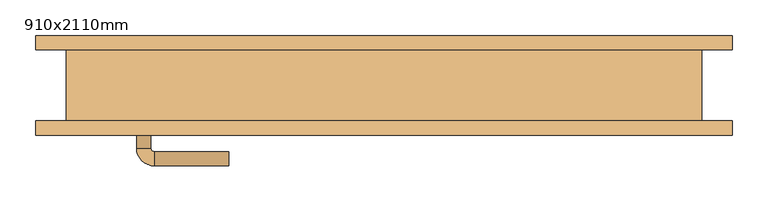
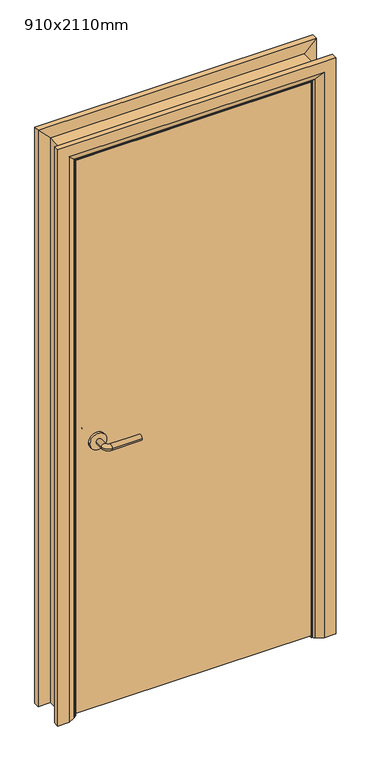
"""IFC4 building model written with IfcOpenShell, lengths in millimetres: door geometry, 910x2110mm."""

from ifc_helpers import new_model, si_unit, point, frame, frame_2d, origin, place, context, project, spatial, polyline, circle_curve, ellipse_curve, trimmed, segment, composite_curve, outline, extrude, faceted_brep, source, transform, mapped, element, save
from ifc_brep_helpers import plane_surface, cylinder_surface, revolved_surface, advanced_brep


def door_910x2110mm_6dd4b09f(model_context):
    return source(origin(), model_context, "Body", "SolidModel", [
        advanced_brep(
        [(-348.0, -4.0, 1000.0), (-328.0, -4.0, 1000.0), (-348.0, 26.0, 1000.0), (-328.0, 26.0, 1000.0), (-323.0, 31.0, 1000.0), (-323.0, 51.0, 1000.0), (-218.0, 51.0, 1000.0), (-218.0, 31.0, 1000.0)],
        [
            (0, 1, circle_curve(frame((-338.0, -4.0, 1000.0), z_axis=(0.0, -1.0, 0.0), x_axis=(1.0, 0.0, 0.0)), 10.0)),
            (1, 0, circle_curve(frame((-338.0, -4.0, 1000.0), z_axis=(0.0, -1.0, 0.0), x_axis=(1.0, 0.0, 0.0)), 10.0)),
            (0, 2),
            (2, 3, circle_curve(frame((-338.0, 26.0, 1000.0), z_axis=(0.0, -1.0, 0.0), x_axis=(1.0, 0.0, 0.0)), 10.0)),
            (3, 1),
            (3, 2, circle_curve(frame((-338.0, 26.0, 1000.0), z_axis=(0.0, -1.0, 0.0), x_axis=(1.0, 0.0, 0.0)), 10.0)),
            (4, 3, circle_curve(frame((-323.0, 26.0, 1000.0), z_axis=(0.0, 0.0, 1.0), x_axis=(-1.0, 0.0, 0.0)), 5.0)),
            (2, 5, circle_curve(frame((-323.0, 26.0, 1000.0), z_axis=(0.0, 0.0, -1.0), x_axis=(-1.0, 0.0, 0.0)), 25.0)),
            (5, 4, circle_curve(frame((-323.0, 41.0, 1000.0), z_axis=(-1.0, 0.0, 0.0), x_axis=(0.0, -1.0, 0.0)), 10.0)),
            (4, 5, circle_curve(frame((-323.0, 41.0, 1000.0), z_axis=(-1.0, 0.0, 0.0), x_axis=(0.0, -1.0, 0.0)), 10.0)),
            (6, 7, circle_curve(frame((-218.0, 41.0, 1000.0), z_axis=(1.0, 0.0, 0.0), x_axis=(0.0, -1.0, 0.0)), 10.0)),
            (7, 6, circle_curve(frame((-218.0, 41.0, 1000.0), z_axis=(1.0, 0.0, 0.0), x_axis=(0.0, -1.0, 0.0)), 10.0)),
            (5, 6),
            (7, 4),
        ],
        [
            plane_surface(frame((-338.0, -4.0, 1000.0), z_axis=(0.0, -1.0, 0.0), x_axis=(0.0, 0.0, 1.0))),
            cylinder_surface(frame((-338.0, -4.0, 1000.0), z_axis=(0.0, -1.0, 0.0), x_axis=(1.0, 0.0, 0.0)), 10.0),
            revolved_surface(trimmed(ellipse_curve(frame((-338.0, 26.0, 1000.0), z_axis=(0.0, -1.0, 0.0), x_axis=(1.0, 0.0, 0.0)), 10.0, 10.0), [point((-348.0, 26.0, 1000.0))], [point((-328.0, 26.0, 1000.0))], True, "CARTESIAN"), (-323.0, 26.0, 1000.0), (0.0, 0.0, -1.0)),
            revolved_surface(trimmed(ellipse_curve(frame((-338.0, 26.0, 1000.0), z_axis=(0.0, -1.0, 0.0), x_axis=(1.0, 0.0, 0.0)), 10.0, 10.0), [point((-328.0, 26.0, 1000.0))], [point((-348.0, 26.0, 1000.0))], True, "CARTESIAN"), (-323.0, 26.0, 1000.0), (0.0, 0.0, -1.0)),
            plane_surface(frame((-218.0, 41.0, 1000.0), z_axis=(1.0, 0.0, 0.0), x_axis=(0.0, 0.0, 1.0))),
            cylinder_surface(frame((-323.0, 41.0, 1000.0), z_axis=(-1.0, 0.0, 0.0), x_axis=(0.0, -1.0, 0.0)), 10.0),
        ],
        [
            (0, [[1, 2]]),
            (1, [[-1, 3, 4, 5]]),
            (1, [[-2, -5, 6, -3]]),
            (2, [[7, -4, 8, 9]]),
            (3, [[-8, -6, -7, 10]]),
            (4, [[11, 12]]),
            (5, [[-9, 13, -12, 14]]),
            (5, [[-10, -14, -11, -13]]),
        ],
    ),
        extrude(outline(composite_curve([segment(trimmed(circle_curve(frame_2d((1000.0, -340.5)), 30.0), [point((1000.0, -370.5))], [point((1000.0, -310.5))], False, "CARTESIAN"), True, "CONTINUOUS"), segment(trimmed(circle_curve(frame_2d((1000.0, -340.5)), 30.0), [point((1000.0, -310.5))], [point((1000.0, -370.5))], False, "CARTESIAN"), True, "CONTINUOUS")], self_intersect=False)), frame((0.0, -12.0, 0.0), z_axis=(0.0, 1.0, 0.0), x_axis=(0.0, 0.0, 1.0)), (0.0, 0.0, 1.0), 8.0),
        advanced_brep(
        [(-348.0, -58.0, 1000.0), (-328.0, -58.0, 1000.0), (-328.0, -88.0, 1000.0), (-348.0, -88.0, 1000.0), (-323.0, -93.0, 1000.0), (-323.0, -113.0, 1000.0), (-218.0, -113.0, 1000.0), (-218.0, -93.0, 1000.0)],
        [
            (0, 1, circle_curve(frame((-338.0, -58.0, 1000.0), z_axis=(0.0, 1.0, 0.0), x_axis=(1.0, 0.0, 0.0)), 10.0)),
            (1, 0, circle_curve(frame((-338.0, -58.0, 1000.0), z_axis=(0.0, 1.0, 0.0), x_axis=(1.0, 0.0, 0.0)), 10.0)),
            (1, 2),
            (2, 3, circle_curve(frame((-338.0, -88.0, 1000.0), z_axis=(0.0, 1.0, 0.0), x_axis=(1.0, 0.0, 0.0)), 10.0)),
            (3, 0),
            (3, 2, circle_curve(frame((-338.0, -88.0, 1000.0), z_axis=(0.0, 1.0, 0.0), x_axis=(1.0, 0.0, 0.0)), 10.0)),
            (4, 5, circle_curve(frame((-323.0, -103.0, 1000.0), z_axis=(-1.0, 0.0, 0.0), x_axis=(0.0, 1.0, 0.0)), 10.0)),
            (5, 3, circle_curve(frame((-323.0, -88.0, 1000.0), z_axis=(0.0, 0.0, -1.0), x_axis=(-1.0, 0.0, 0.0)), 25.0)),
            (2, 4, circle_curve(frame((-323.0, -88.0, 1000.0), z_axis=(0.0, 0.0, 1.0), x_axis=(-1.0, 0.0, 0.0)), 5.0)),
            (5, 4, circle_curve(frame((-323.0, -103.0, 1000.0), z_axis=(-1.0, 0.0, 0.0), x_axis=(0.0, 1.0, 0.0)), 10.0)),
            (6, 7, circle_curve(frame((-218.0, -103.0, 1000.0), z_axis=(1.0, 0.0, 0.0), x_axis=(0.0, 1.0, 0.0)), 10.0)),
            (7, 6, circle_curve(frame((-218.0, -103.0, 1000.0), z_axis=(1.0, 0.0, 0.0), x_axis=(0.0, 1.0, 0.0)), 10.0)),
            (4, 7),
            (6, 5),
        ],
        [
            plane_surface(frame((-338.0, -58.0, 1000.0), z_axis=(0.0, 1.0, 0.0), x_axis=(0.0, 0.0, 1.0))),
            cylinder_surface(frame((-338.0, -58.0, 1000.0), z_axis=(0.0, 1.0, 0.0), x_axis=(1.0, 0.0, 0.0)), 10.0),
            revolved_surface(trimmed(ellipse_curve(frame((-338.0, -88.0, 1000.0), z_axis=(0.0, -1.0, 0.0), x_axis=(1.0, 0.0, 0.0)), 10.0, 10.0), [point((-348.0, -88.0, 1000.0))], [point((-328.0, -88.0, 1000.0))], True, "CARTESIAN"), (-323.0, -88.0, 1000.0), (0.0, 0.0, -1.0)),
            revolved_surface(trimmed(ellipse_curve(frame((-338.0, -88.0, 1000.0), z_axis=(0.0, -1.0, 0.0), x_axis=(1.0, 0.0, 0.0)), 10.0, 10.0), [point((-328.0, -88.0, 1000.0))], [point((-348.0, -88.0, 1000.0))], True, "CARTESIAN"), (-323.0, -88.0, 1000.0), (0.0, 0.0, -1.0)),
            plane_surface(frame((-218.0, -103.0, 1000.0), z_axis=(1.0, 0.0, 0.0), x_axis=(0.0, 0.0, 1.0))),
            cylinder_surface(frame((-323.0, -103.0, 1000.0), z_axis=(-1.0, 0.0, 0.0), x_axis=(0.0, 1.0, 0.0)), 10.0),
        ],
        [
            (0, [[1, 2]]),
            (1, [[3, 4, 5, -2]]),
            (1, [[-5, 6, -3, -1]]),
            (2, [[7, 8, -4, 9]]),
            (3, [[10, -9, -6, -8]]),
            (4, [[11, 12]]),
            (5, [[13, -11, 14, -7]]),
            (5, [[-14, -12, -13, -10]]),
        ],
    ),
        extrude(outline(composite_curve([segment(trimmed(circle_curve(frame_2d((1000.0, -340.5)), 30.0), [point((1000.0, -370.5))], [point((1000.0, -310.5))], False, "CARTESIAN"), True, "CONTINUOUS"), segment(trimmed(circle_curve(frame_2d((1000.0, -340.5)), 30.0), [point((1000.0, -310.5))], [point((1000.0, -370.5))], False, "CARTESIAN"), True, "CONTINUOUS")], self_intersect=False)), frame((0.0, -58.0, 0.0), z_axis=(0.0, 1.0, 0.0), x_axis=(0.0, 0.0, 1.0)), (0.0, 0.0, 1.0), 8.0),
        extrude(outline(polyline([(413.0, -12.0), (413.0, -50.0), (-413.0, -50.0), (-413.0, -12.0), (413.0, -12.0)])), frame((0.0, 0.0, 8.0), z_axis=(0.0, 0.0, 1.0), x_axis=(1.0, 0.0, 0.0)), (0.0, 0.0, 1.0), 2060.0),
        advanced_brep(
        [(490.0, -70.0, 0.0), (450.0, -70.0, 0.0), (424.0, -56.0, 0.0), (420.0, -50.0, 0.0), (490.0, -50.0, 0.0), (490.0, -50.0, 2145.0), (490.0, -70.0, 2145.0), (420.0, -50.0, 2075.0), (-420.0, -50.0, 2075.0), (-420.0, -50.0, 0.0), (-490.0, -50.0, 0.0), (-490.0, -50.0, 2145.0), (424.0, -56.0, 2079.0), (450.0, -70.0, 2105.0), (-490.0, -70.0, 2145.0), (-490.0, -70.0, 0.0), (-450.0, -70.0, 0.0), (-450.0, -70.0, 2105.0), (-424.0, -56.0, 2079.0), (-424.0, -56.0, 0.0)],
        [
            (0, 1),
            (1, 2),
            (2, 3, circle_curve(frame((428.0, -49.0, 0.0), z_axis=(0.0, 0.0, -1.0), x_axis=(1.0, 0.0, 0.0)), 8.0622577)),
            (3, 4),
            (4, 0),
            (4, 5),
            (5, 6),
            (6, 0),
            (3, 7),
            (7, 8),
            (8, 9),
            (9, 10),
            (10, 11),
            (11, 5),
            (2, 12),
            (12, 7, ellipse_curve(frame((428.0, -49.0, 2083.0), z_axis=(0.7071067811865475, 0.0, -0.7071067811865475), x_axis=(-0.7071067811865474, 0.0, -0.7071067811865476)), 11.4017543, 8.0622577)),
            (1, 13),
            (13, 12),
            (6, 14),
            (14, 15),
            (15, 16),
            (16, 17),
            (17, 13),
            (11, 14),
            (12, 18),
            (18, 8, ellipse_curve(frame((-428.0, -49.0, 2083.0), z_axis=(0.7071067811865475, 0.0, 0.7071067811865475), x_axis=(0.7071067811865476, 0.0, -0.7071067811865474)), 11.4017543, 8.0622577)),
            (17, 18),
            (15, 10),
            (9, 19, circle_curve(frame((-428.0, -49.0, 0.0), z_axis=(0.0, 0.0, -1.0), x_axis=(-1.0, 0.0, 0.0)), 8.0622577)),
            (19, 16),
            (18, 19),
        ],
        [
            plane_surface(frame((420.0, -50.0, 0.0), z_axis=(0.0, 0.0, -1.0), x_axis=(0.0, 1.0, 0.0))),
            plane_surface(frame((490.0, -70.0, 0.0), z_axis=(1.0, 0.0, 0.0), x_axis=(0.0, 0.0, 1.0))),
            plane_surface(frame((490.0, -50.0, 0.0), z_axis=(0.0, 1.0, 0.0), x_axis=(0.0, 0.0, 1.0))),
            cylinder_surface(frame((428.0, -49.0, 0.0), z_axis=(0.0, 0.0, -1.0), x_axis=(1.0, 0.0, 0.0)), 8.0622577),
            plane_surface(frame((424.0, -56.0, 0.0), z_axis=(-0.4740998230350126, -0.880471099922178, 0.0), x_axis=(0.0, 0.0, 1.0))),
            plane_surface(frame((450.0, -70.0, 0.0), z_axis=(0.0, -1.0, 0.0), x_axis=(0.0, 0.0, 1.0))),
            plane_surface(frame((490.0, -70.0, 2145.0), z_axis=(0.0, 0.0, 1.0), x_axis=(-1.0, 0.0, 0.0))),
            cylinder_surface(frame((420.0, -49.0, 2083.0), z_axis=(1.0, 0.0, 0.0), x_axis=(0.0, 0.0, 1.0)), 8.0622577),
            plane_surface(frame((424.0, -56.0, 2079.0), z_axis=(0.0, -0.8804710999221764, -0.4740998230350154), x_axis=(-1.0, 0.0, 0.0))),
            plane_surface(frame((-420.0, -50.0, 0.0), z_axis=(0.0, 0.0, -1.0), x_axis=(0.0, 1.0, 0.0))),
            plane_surface(frame((-490.0, -70.0, 2145.0), z_axis=(-1.0, 0.0, 0.0), x_axis=(0.0, 0.0, -1.0))),
            cylinder_surface(frame((-428.0, -49.0, 2075.0), z_axis=(0.0, 0.0, 1.0), x_axis=(-1.0, 0.0, 0.0)), 8.0622577),
            plane_surface(frame((-424.0, -56.0, 2079.0), z_axis=(0.47409982303501824, -0.8804710999221749, 0.0), x_axis=(0.0, 0.0, -1.0))),
        ],
        [
            (0, [[1, 2, 3, 4, 5]]),
            (1, [[6, 7, 8, -5]]),
            (2, [[9, 10, 11, 12, 13, 14, -6, -4]]),
            (3, [[15, 16, -9, -3]]),
            (4, [[17, 18, -15, -2]]),
            (5, [[-8, 19, 20, 21, 22, 23, -17, -1]]),
            (6, [[-14, 24, -19, -7]]),
            (7, [[25, 26, -10, -16]]),
            (8, [[-23, 27, -25, -18]]),
            (9, [[28, -12, 29, 30, -21]]),
            (10, [[-13, -28, -20, -24]]),
            (11, [[31, -29, -11, -26]]),
            (12, [[-22, -30, -31, -27]]),
        ],
    ),
        extrude(outline(polyline([(0.0, -396.0), (2051.0, -396.0), (2051.0, 396.0), (0.0, 396.0), (0.0, 415.0), (2070.0, 415.0), (2070.0, -415.0), (0.0, -415.0), (0.0, -396.0)])), frame((0.0, -10.0, 0.0), z_axis=(0.0, 1.0, 0.0), x_axis=(0.0, 0.0, 1.0)), (0.0, 0.0, 1.0), 32.0),
        advanced_brep(
        [(-490.0, 70.0, 0.0), (-450.0, 70.0, 0.0), (-424.0, 56.0, 0.0), (-420.0, 50.0, 0.0), (-490.0, 50.0, 0.0), (-490.0, 50.0, 2145.0), (-490.0, 70.0, 2145.0), (-420.0, 50.0, 2075.0), (-424.0, 56.0, 2079.0), (-450.0, 70.0, 2105.0), (490.0, 50.0, 2145.0), (490.0, 70.0, 2145.0), (420.0, 50.0, 2075.0), (424.0, 56.0, 2079.0), (450.0, 70.0, 2105.0), (490.0, 70.0, 0.0), (490.0, 50.0, 0.0), (420.0, 50.0, 0.0), (424.0, 56.0, 0.0), (450.0, 70.0, 0.0)],
        [
            (0, 1),
            (1, 2),
            (2, 3, circle_curve(frame((-428.0, 49.0, 0.0), z_axis=(0.0, 0.0, -1.0), x_axis=(-1.0, 0.0, 0.0)), 8.0622577)),
            (3, 4),
            (4, 0),
            (4, 5),
            (5, 6),
            (6, 0),
            (3, 7),
            (7, 5),
            (2, 8),
            (8, 7, ellipse_curve(frame((-428.0, 49.0, 2083.0), z_axis=(-0.7071067811865475, 0.0, -0.7071067811865475), x_axis=(0.7071067811865474, 0.0, -0.7071067811865476)), 11.4017543, 8.0622577)),
            (1, 9),
            (9, 8),
            (6, 9),
            (5, 10),
            (10, 11),
            (11, 6),
            (7, 12),
            (12, 10),
            (8, 13),
            (13, 12, ellipse_curve(frame((428.0, 49.0, 2083.0), z_axis=(-0.7071067811865475, 0.0, 0.7071067811865475), x_axis=(-0.7071067811865476, 0.0, -0.7071067811865474)), 11.4017543, 8.0622577)),
            (9, 14),
            (14, 13),
            (11, 14),
            (15, 16),
            (16, 17),
            (17, 18, circle_curve(frame((428.0, 49.0, 0.0), z_axis=(0.0, 0.0, -1.0), x_axis=(1.0, 0.0, 0.0)), 8.0622577)),
            (18, 19),
            (19, 15),
            (10, 16),
            (15, 11),
            (12, 17),
            (13, 18),
            (14, 19),
        ],
        [
            plane_surface(frame((-420.0, 122.8010989, 0.0), z_axis=(0.0, 0.0, -1.0), x_axis=(1.0, 0.0, 0.0))),
            plane_surface(frame((-490.0, 70.0, 0.0), z_axis=(-1.0, 0.0, 0.0), x_axis=(0.0, 0.0, 1.0))),
            plane_surface(frame((-490.0, 50.0, 0.0), z_axis=(0.0, -1.0, 0.0), x_axis=(0.0, 0.0, 1.0))),
            cylinder_surface(frame((-428.0, 49.0, 0.0), z_axis=(0.0, 0.0, -1.0), x_axis=(-1.0, 0.0, 0.0)), 8.0622577),
            plane_surface(frame((-424.0, 56.0, 0.0), z_axis=(0.4740998230350183, 0.8804710999221749, 0.0), x_axis=(0.0, 0.0, 1.0))),
            plane_surface(frame((-450.0, 70.0, 0.0), z_axis=(0.0, 1.0, 0.0), x_axis=(0.0, 0.0, 1.0))),
            plane_surface(frame((-490.0, 70.0, 2145.0), z_axis=(0.0, 0.0, 1.0), x_axis=(1.0, 0.0, 0.0))),
            plane_surface(frame((-490.0, 50.0, 2145.0), z_axis=(0.0, -1.0, 0.0), x_axis=(1.0, 0.0, 0.0))),
            cylinder_surface(frame((-420.0, 49.0, 2083.0), z_axis=(-1.0, 0.0, 0.0), x_axis=(0.0, 0.0, 1.0)), 8.0622577),
            plane_surface(frame((-424.0, 56.0, 2079.0), z_axis=(0.0, 0.8804710999221749, -0.4740998230350183), x_axis=(1.0, 0.0, 0.0))),
            plane_surface(frame((-450.0, 70.0, 2105.0), z_axis=(0.0, 1.0, 0.0), x_axis=(1.0, 0.0, 0.0))),
            plane_surface(frame((420.0, 122.8010989, 0.0), z_axis=(0.0, 0.0, -1.0), x_axis=(-1.0, 0.0, 0.0))),
            plane_surface(frame((490.0, 70.0, 2145.0), z_axis=(1.0, 0.0, 0.0), x_axis=(0.0, 0.0, -1.0))),
            plane_surface(frame((490.0, 50.0, 2145.0), z_axis=(0.0, -1.0, 0.0), x_axis=(0.0, 0.0, -1.0))),
            cylinder_surface(frame((428.0, 49.0, 2075.0), z_axis=(0.0, 0.0, 1.0), x_axis=(1.0, 0.0, 0.0)), 8.0622577),
            plane_surface(frame((424.0, 56.0, 2079.0), z_axis=(-0.4740998230350183, 0.8804710999221749, 0.0), x_axis=(0.0, 0.0, -1.0))),
            plane_surface(frame((450.0, 70.0, 2105.0), z_axis=(0.0, 1.0, 0.0), x_axis=(0.0, 0.0, -1.0))),
        ],
        [
            (0, [[1, 2, 3, 4, 5]]),
            (1, [[6, 7, 8, -5]]),
            (2, [[9, 10, -6, -4]]),
            (3, [[11, 12, -9, -3]]),
            (4, [[13, 14, -11, -2]]),
            (5, [[-8, 15, -13, -1]]),
            (6, [[16, 17, 18, -7]]),
            (7, [[19, 20, -16, -10]]),
            (8, [[21, 22, -19, -12]]),
            (9, [[23, 24, -21, -14]]),
            (10, [[-18, 25, -23, -15]]),
            (11, [[26, 27, 28, 29, 30]]),
            (12, [[31, -26, 32, -17]]),
            (13, [[33, -27, -31, -20]]),
            (14, [[34, -28, -33, -22]]),
            (15, [[35, -29, -34, -24]]),
            (16, [[-32, -30, -35, -25]]),
        ],
    ),
        faceted_brep([(-415.0, -50.0, 0.0), (-447.0, -50.0, 0.0), (-447.0, 50.0, 0.0), (-415.0, 50.0, 0.0), (-415.0, 50.0, 2070.0), (-415.0, -50.0, 2070.0), (-447.0, 50.0, 2102.0), (-447.0, -50.0, 2102.0), (415.0, 50.0, 2070.0), (415.0, -50.0, 2070.0), (447.0, 50.0, 2102.0), (447.0, -50.0, 2102.0), (415.0, -50.0, 0.0), (415.0, 50.0, 0.0), (447.0, 50.0, 0.0), (447.0, -50.0, 0.0)], [[[0, 1, 2, 3]], [[3, 4, 5, 0]], [[2, 6, 4, 3]], [[1, 7, 6, 2]], [[0, 5, 7, 1]], [[4, 8, 9, 5]], [[6, 10, 8, 4]], [[7, 11, 10, 6]], [[5, 9, 11, 7]], [[12, 13, 14, 15]], [[8, 13, 12, 9]], [[10, 14, 13, 8]], [[11, 15, 14, 10]], [[9, 12, 15, 11]]]),
    ])


if __name__ == "__main__":
    model = new_model("IFC4")
    model_context = context("Model", 3, world=origin())
    ifc_project = project(units=[si_unit("LENGTHUNIT", "METRE", prefix="MILLI")], contexts=[model_context])
    site = spatial("IfcSite", under=ifc_project)
    building = spatial("IfcBuilding", under=site)
    placement = place(None, origin())
    door_910x2110mm_shape = door_910x2110mm_6dd4b09f(model_context)
    element("IfcDoor", 1, ObjectType="910x2110mm", at=placement, inside=building, context=model_context, shape_type="MappedRepresentation", body=[
        mapped(door_910x2110mm_shape, transform((0.0, 0.0, 0.0), x_axis=(1.0, 0.0, 0.0), y_axis=(0.0, 1.0, 0.0), z_axis=(0.0, 0.0, 1.0))),
    ])
    save(model, "model.ifc")
